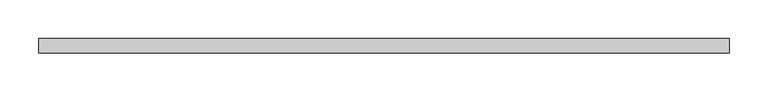
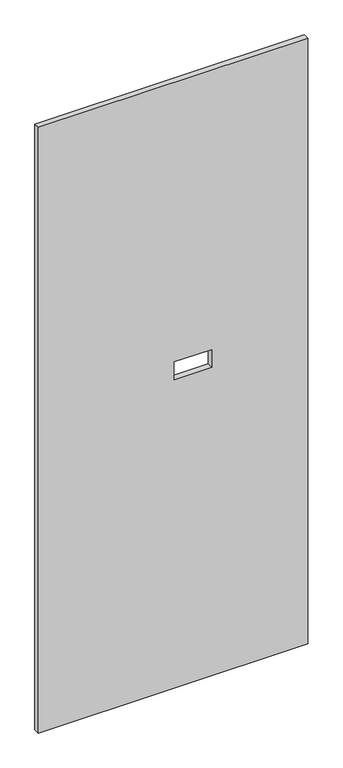
"""IFC4 building model written with IfcOpenShell, lengths in millimetres: proxy geometry."""

from ifc_helpers import new_model, si_unit, frame, origin, place, context, project, spatial, polyline, outline, extrude, source, transform, mapped, element, save


def specialty_equipment_55c7cd3e(model_context):
    return source(origin(), model_context, "Body", "SweptSolid", [
        extrude(outline(polyline([(2130.425, -447.7193698), (3.175, -447.7193698), (3.175, 447.7193698), (2130.425, 447.7193698), (2130.425, -447.7193698)]), holes=[polyline([(1086.485, 128.524), (1086.485, 4.064), (1148.715, 4.064), (1148.715, 128.524), (1086.485, 128.524)])]), frame((0.0, -9.525, 0.0), z_axis=(0.0, 1.0, 0.0), x_axis=(0.0, 0.0, 1.0)), (0.0, 0.0, 1.0), 19.05),
    ])


if __name__ == "__main__":
    model = new_model("IFC4")
    model_context = context("Model", 3, world=origin())
    ifc_project = project(units=[si_unit("LENGTHUNIT", "METRE", prefix="MILLI")], contexts=[model_context])
    site = spatial("IfcSite", under=ifc_project)
    building = spatial("IfcBuilding", under=site)
    placement = place(None, origin())
    specialty_equipment_shape = specialty_equipment_55c7cd3e(model_context)
    element("IfcBuildingElementProxy", 1, Name="Specialty Equipment", at=placement, inside=building, context=model_context, shape_type="MappedRepresentation", body=[
        mapped(specialty_equipment_shape, transform((0.0, 0.0, 0.0), x_axis=(1.0, 0.0, 0.0), y_axis=(0.0, 1.0, 0.0), z_axis=(0.0, 0.0, 1.0))),
    ])
    save(model, "model.ifc")
